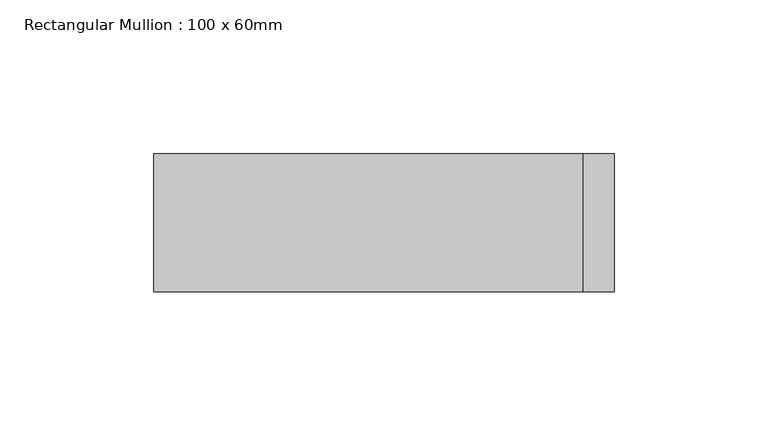
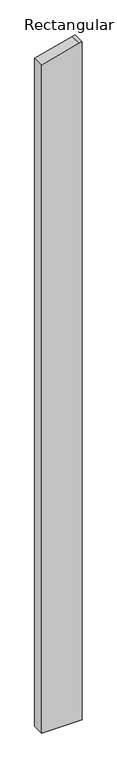
"""IFC4 building model written with IfcOpenShell, lengths in millimetres: member geometry, Rectangular Mullion : 100 x 60mm."""

import ifcopenshell
import ifcopenshell.guid

model = None  # the IFC model being written
_history = None  # IfcOwnerHistory: only IFC2X3 demands one
_inside = {}  # id of a spatial element -> (the spatial element, [elements in it])
_under = {}  # id of a project, library or spatial element -> (it, [spatial elements below it])
_declared = {}  # id of a project -> (the project, [libraries it declares])
_typed = {}  # id of a type object -> (the type object, [elements of that type])
_made_of = {}  # id of a material, layer set ... -> (it, [elements and type objects made of it])


def new_model(schema):
    """Start an empty IFC model of exactly this schema.

    Asked for "IFC4X3", IfcOpenShell would pick the latest addendum, in which some entities
    have other attributes; the version numbers below select the first issue.
    IFC2X3 requires an IfcOwnerHistory on every rooted entity: one is made here for all.
    """
    global model, _history
    if schema == "IFC4X3":
        model = ifcopenshell.file(schema_version=(4, 3, 0, 0))
    else:
        model = ifcopenshell.file(schema=schema)
    _inside.clear()
    _under.clear()
    _declared.clear()
    _typed.clear()
    _made_of.clear()
    _history = None
    if model.schema == "IFC2X3":
        org = make("IfcOrganization", Name="unknown")
        user = make(
            "IfcPersonAndOrganization",
            ThePerson=make("IfcPerson", FamilyName="unknown"),
            TheOrganization=org,
        )
        app = make(
            "IfcApplication",
            ApplicationDeveloper=org,
            Version="unknown",
            ApplicationFullName="unknown",
            ApplicationIdentifier="unknown",
        )
        _history = make(
            "IfcOwnerHistory",
            OwningUser=user,
            OwningApplication=app,
            ChangeAction="ADDED",
            CreationDate=0,
        )
    return model


def make(cls, **values):
    """One entity of the class cls with the attributes given. An attribute that is None is left unset."""
    return model.create_entity(
        cls, **{name: value for name, value in values.items() if value is not None}
    )


def rooted(cls, **values):
    """An entity with a GlobalId (a new one), such as an element, a storey or a relation."""
    return make(cls, GlobalId=ifcopenshell.guid.new(), OwnerHistory=_history, **values)


def si_unit(unit_type, name, prefix=None):
    """IfcSIUnit, for example si_unit("LENGTHUNIT", "METRE", prefix="MILLI")."""
    return make("IfcSIUnit", UnitType=unit_type, Prefix=prefix, Name=name)


def assignment(units):
    """IfcUnitAssignment: the units of a project."""
    return None if units is None else make("IfcUnitAssignment", Units=units)


def point(xyz):
    """IfcCartesianPoint."""
    return None if xyz is None else make("IfcCartesianPoint", Coordinates=xyz)


def direction(xyz):
    """IfcDirection."""
    return None if xyz is None else make("IfcDirection", DirectionRatios=xyz)


def frame(location, z_axis=None, x_axis=None):
    """IfcAxis2Placement3D, a coordinate frame: its origin and axes. An axis left out is left unset."""
    return make(
        "IfcAxis2Placement3D",
        Location=point(location),
        Axis=direction(z_axis),
        RefDirection=direction(x_axis),
    )


def origin():
    """The frame at (0, 0, 0) with its axes left unset."""
    return frame((0.0, 0.0, 0.0))


def place(relative_to, where):
    """IfcLocalPlacement: puts the frame where relative to a parent placement (None: the world)."""
    return make(
        "IfcLocalPlacement", PlacementRelTo=relative_to, RelativePlacement=where
    )


def context(
    kind, dimensions, precision=None, world=None, true_north=None, identifier=None
):
    """IfcGeometricRepresentationContext, for example the 3D "Model" context."""
    return make(
        "IfcGeometricRepresentationContext",
        ContextIdentifier=identifier,
        ContextType=kind,
        CoordinateSpaceDimension=dimensions,
        Precision=precision,
        WorldCoordinateSystem=world,
        TrueNorth=true_north,
    )


def project(units=None, contexts=None):
    """IfcProject with its units and contexts."""
    return rooted(
        "IfcProject",
        Name="project",
        RepresentationContexts=contexts,
        UnitsInContext=assignment(units),
    )


def spatial(cls, under=None, at=None, **own):
    """A site, building, storey or space (cls), placed at a placement, below another one or the project."""
    s = rooted(cls, ObjectPlacement=at, **own)
    if under is not None:
        _under.setdefault(under.id(), (under, []))[1].append(s)
    return s


def polyline(points):
    """IfcPolyline through the points."""
    return make("IfcPolyline", Points=[point(p) for p in points])


def outline(outer, holes=None, kind="AREA"):
    """IfcArbitraryClosedProfileDef: a profile drawn as a closed curve; with holes, ...WithVoids."""
    if holes is None:
        return make("IfcArbitraryClosedProfileDef", ProfileType=kind, OuterCurve=outer)
    return make(
        "IfcArbitraryProfileDefWithVoids",
        ProfileType=kind,
        OuterCurve=outer,
        InnerCurves=holes,
    )


def extrude(swept, where, along, depth):
    """IfcExtrudedAreaSolid: the profile swept, set in the frame where, extruded along a direction by depth."""
    return make(
        "IfcExtrudedAreaSolid",
        SweptArea=swept,
        Position=where,
        ExtrudedDirection=direction(along),
        Depth=depth,
    )


def shape(context_of_items, identifier, shape_type, items):
    """IfcShapeRepresentation: the items that make up one representation, for example the "Body"."""
    return make(
        "IfcShapeRepresentation",
        ContextOfItems=context_of_items,
        RepresentationIdentifier=identifier,
        RepresentationType=shape_type,
        Items=items,
    )


def source(mapping_origin, context_of_items, identifier, shape_type, items):
    """IfcRepresentationMap: a shape defined once, which mapped items show again and again."""
    return make(
        "IfcRepresentationMap",
        MappingOrigin=mapping_origin,
        MappedRepresentation=shape(context_of_items, identifier, shape_type, items),
    )


def transform(
    local_origin,
    x_axis=None,
    y_axis=None,
    z_axis=None,
    scale=None,
    scale2=None,
    scale3=None,
    uniform=True,
):
    """IfcCartesianTransformationOperator3D, or its non-uniform kind. x_axis, y_axis, z_axis: its Axis1, 2, 3."""
    if uniform:
        return make(
            "IfcCartesianTransformationOperator3D",
            Axis1=direction(x_axis),
            Axis2=direction(y_axis),
            LocalOrigin=point(local_origin),
            Scale=scale,
            Axis3=direction(z_axis),
        )
    return make(
        "IfcCartesianTransformationOperator3DnonUniform",
        Axis1=direction(x_axis),
        Axis2=direction(y_axis),
        LocalOrigin=point(local_origin),
        Scale=scale,
        Axis3=direction(z_axis),
        Scale2=scale2,
        Scale3=scale3,
    )


def mapped(mapping_source, mapping_target):
    """IfcMappedItem: shows the shape of a source again, moved by a transform."""
    return make(
        "IfcMappedItem", MappingSource=mapping_source, MappingTarget=mapping_target
    )


def made_of(thing, what):
    """Note that an element or type object is made of a material, layer set ...; save() writes the relation."""
    if what is not None:
        _made_of.setdefault(what.id(), (what, []))[1].append(thing)
    return thing


def element(
    cls,
    number,
    at=None,
    inside=None,
    cuts=None,
    type_object=None,
    material=None,
    context=None,
    identifier="Body",
    shape_type=None,
    held_by="IfcProductDefinitionShape",
    body=None,
    shapes=None,
    **own,
):
    """One element of the class cls, such as IfcWall. Its Tag is "e" and its number.

    at: its placement. inside: the storey or other place that contains it. cuts: it is an
    opening in that element (IfcRelVoidsElement). A single representation is given by context,
    identifier, shape_type and body (its items); several are given by shapes. held_by: the class
    of the entity that holds the representations. save() writes the other relations.
    """
    e = rooted(cls, Tag="e%d" % number, ObjectPlacement=at, **own)
    if body is not None:
        shapes = [shape(context, identifier, shape_type, body)]
    if shapes is not None:
        e.Representation = make(held_by, Representations=shapes)
    if inside is not None:
        _inside.setdefault(inside.id(), (inside, []))[1].append(e)
    if cuts is not None:
        rooted(
            "IfcRelVoidsElement", RelatingBuildingElement=cuts, RelatedOpeningElement=e
        )
    if type_object is not None:
        _typed.setdefault(type_object.id(), (type_object, []))[1].append(e)
    return made_of(e, material)


def aggregate(whole, parts):
    """IfcRelAggregates: a whole, such as a stair, and the parts it consists of."""
    return rooted("IfcRelAggregates", RelatingObject=whole, RelatedObjects=parts)


def save(model, path):
    """Write the relations noted so far, then the file.

    IfcRelAggregates (storeys below a building ...), IfcRelContainedInSpatialStructure (elements
    in a storey), IfcRelDefinesByType, IfcRelAssociatesMaterial and IfcRelDeclares: one each for
    every whole, place, type object, material and project.
    """
    for whole, parts in _under.values():
        aggregate(whole, parts)
    for where, things in _inside.values():
        rooted(
            "IfcRelContainedInSpatialStructure",
            RelatedElements=things,
            RelatingStructure=where,
        )
    for kind, things in _typed.values():
        rooted("IfcRelDefinesByType", RelatedObjects=things, RelatingType=kind)
    for what, things in _made_of.values():
        rooted("IfcRelAssociatesMaterial", RelatedObjects=things, RelatingMaterial=what)
    for by, libraries in _declared.values():
        rooted("IfcRelDeclares", RelatingContext=by, RelatedDefinitions=libraries)
    model.write(path)


def rectangular_mullion_100_x_60mm_be4e82eb(model_context):
    return source(origin(), model_context, "Body", "SweptSolid", [
        extrude(outline(polyline([(-238.7228557, 75.0), (-241.4814566, 64.7047613), (-278.9152345, -75.0), (-2907.0950927, -75.0), (-2907.0950927, 75.0), (-238.7228557, 75.0)])), frame((0.0, -15.0, 0.0), z_axis=(0.0, 1.0, 0.0), x_axis=(0.0, 0.0, 1.0)), (0.0, 0.0, 1.0), 45.0),
    ])


if __name__ == "__main__":
    model = new_model("IFC4")
    model_context = context("Model", 3, world=origin())
    ifc_project = project(units=[si_unit("LENGTHUNIT", "METRE", prefix="MILLI")], contexts=[model_context])
    site = spatial("IfcSite", under=ifc_project)
    building = spatial("IfcBuilding", under=site)
    placement = place(None, origin())
    rectangular_mullion_100_x_60mm_shape = rectangular_mullion_100_x_60mm_be4e82eb(model_context)
    element("IfcMember", 1, ObjectType="Rectangular Mullion : 100 x 60mm", at=placement, inside=building, context=model_context, shape_type="MappedRepresentation", body=[
        mapped(rectangular_mullion_100_x_60mm_shape, transform((0.0, 0.0, 0.0), x_axis=(1.0, 0.0, 0.0), y_axis=(0.0, 1.0, 0.0), z_axis=(0.0, 0.0, 1.0))),
    ])
    save(model, "model.ifc")
